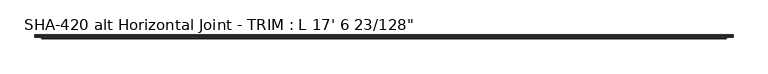
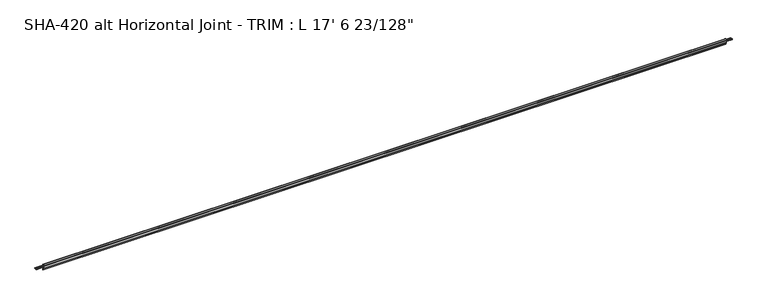
"""IFC4 building model written with IfcOpenShell, lengths in millimetres: proxy geometry."""

from ifc_helpers import new_model, si_unit, frame, origin, place, context, project, spatial, polyline, circle_curve, source, transform, mapped, element, save
from ifc_brep_helpers import plane_surface, cylinder_surface, revolved_surface, advanced_brep


def proxy_6e6985d3(model_context):
    return source(origin(), model_context, "Body", "AdvancedBrep", [
        advanced_brep(
        [(5338.5640625, -6.1976, -14.5150656), (5338.5640625, -10.5664, -14.5150656), (5338.5640625, -10.5664, -16.089866), (5338.5640625, -6.1976, -16.089866), (5338.5640625, -3.048, -16.089866), (5338.5640625, 1.1557, -16.089866), (5338.5640625, 4.3053, -16.089866), (5338.5640625, 8.509, -16.089866), (5338.5640625, 8.509, -14.5150656), (5338.5640625, 4.3053, -14.5150656), (5338.5640625, 1.1557, -14.5150656), (5338.5640625, -3.048, -14.5150656), (0.0, -10.5664, -16.089866), (0.0, -10.5664, -14.5150656), (0.0, -6.1976, -14.5150656), (0.0, -3.048, -14.5150656), (0.0, 1.1557, -14.5150656), (0.0, 4.3053, -14.5150656), (0.0, 8.509, -14.5150656), (0.0, 8.509, -16.089866), (0.0, 4.3053, -16.089866), (0.0, 1.1557, -16.089866), (0.0, -3.048, -16.089866), (0.0, -6.1976, -16.089866), (5287.7640625, -20.0914, -16.0898656), (5287.7640625, -20.0914, -1.1800656), (50.8, -20.0914, -1.1800656), (50.8, -20.0914, -16.0898656), (50.8, -14.673343, -16.0898656), (5287.7640625, -14.673343, -16.0898656), (5287.7640625, -14.698743, -1.1800656), (50.8, -14.698743, -1.1800656), (5287.7640625, -12.8877692, 9.3960213), (50.8, -12.8877692, 9.3960213), (5287.7640625, -10.5664, 9.3299375), (50.8, -10.5664, 9.3299375), (5287.7640625, -10.5664, -2.7548656), (50.8, -10.5664, -2.7548656), (5287.7640625, -17.2466, -2.7548656), (50.8, -17.2466, -2.7548656), (5287.7640625, -18.5166, -4.0248656), (50.8, -18.5166, -4.0248656), (5287.7640625, -18.5166, -14.5150656), (50.8, -18.5166, -14.5150656), (50.8, -10.5664, -14.5150656), (5287.7640625, -10.5664, -14.5150656), (5287.7640625, -10.5664, -16.089866), (50.8, -10.541, -16.089866), (5287.7640625, -10.541, -35.2950182), (50.8, -10.541, -35.2950182), (5287.7640625, -12.8623692, -35.361102), (50.8, -12.8623692, -35.361102), (5287.7640625, -14.673343, -24.7850151), (50.8, -14.673343, -24.7850151)],
        [
            (0, 1),
            (1, 2),
            (2, 3),
            (3, 4, circle_curve(frame((5338.5640625, -4.6228, -16.089866), z_axis=(1.0, 0.0, 0.0), x_axis=(0.0, -1.0, 0.0)), 1.5748)),
            (4, 5),
            (5, 6, circle_curve(frame((5338.5640625, 2.7305, -16.089866), z_axis=(1.0, 0.0, 0.0), x_axis=(0.0, -1.0, 0.0)), 1.5748)),
            (6, 7),
            (7, 8),
            (8, 9),
            (9, 10, circle_curve(frame((5338.5640625, 2.7305, -14.5150656), z_axis=(1.0, 0.0, 0.0), x_axis=(0.0, -1.0, 0.0)), 1.5748)),
            (10, 11),
            (11, 0, circle_curve(frame((5338.5640625, -4.6228, -14.5150656), z_axis=(1.0, 0.0, 0.0), x_axis=(0.0, -1.0, 0.0)), 1.5748)),
            (12, 13),
            (13, 14),
            (14, 15, circle_curve(frame((0.0, -4.6228, -14.5150656), z_axis=(-1.0, 0.0, 0.0), x_axis=(0.0, -1.0, 0.0)), 1.5748)),
            (15, 16),
            (16, 17, circle_curve(frame((0.0, 2.7305, -14.5150656), z_axis=(-1.0, 0.0, 0.0), x_axis=(0.0, -1.0, 0.0)), 1.5748)),
            (17, 18),
            (18, 19),
            (19, 20),
            (20, 21, circle_curve(frame((0.0, 2.7305, -16.089866), z_axis=(-1.0, 0.0, 0.0), x_axis=(0.0, -1.0, 0.0)), 1.5748)),
            (21, 22),
            (22, 23, circle_curve(frame((0.0, -4.6228, -16.089866), z_axis=(-1.0, 0.0, 0.0), x_axis=(0.0, -1.0, 0.0)), 1.5748)),
            (23, 12),
            (24, 25),
            (25, 26),
            (26, 27),
            (27, 24),
            (27, 28),
            (28, 29),
            (29, 24),
            (25, 30),
            (30, 31),
            (31, 26),
            (30, 32),
            (32, 33),
            (33, 31),
            (32, 34, circle_curve(frame((5287.7640625, -11.7590956, 8.2385071), z_axis=(-1.0, 0.0, 0.0), x_axis=(0.0, -1.0, 0.0)), 1.6167075)),
            (34, 35),
            (35, 33, circle_curve(frame((50.8, -11.7590956, 8.2385071), z_axis=(1.0, 0.0, 0.0), x_axis=(0.0, -1.0, 0.0)), 1.6167075)),
            (34, 36),
            (36, 37),
            (37, 35),
            (36, 38),
            (38, 39),
            (39, 37),
            (38, 40, circle_curve(frame((5287.7640625, -17.2466, -4.0248656), z_axis=(1.0, 0.0, 0.0), x_axis=(0.0, -1.0, 0.0)), 1.27)),
            (40, 41),
            (41, 39, circle_curve(frame((50.8, -17.2466, -4.0248656), z_axis=(-1.0, 0.0, 0.0), x_axis=(0.0, -1.0, 0.0)), 1.27)),
            (40, 42),
            (42, 43),
            (43, 41),
            (13, 44),
            (44, 43),
            (42, 45),
            (45, 1),
            (0, 14),
            (11, 15),
            (10, 16),
            (9, 17),
            (8, 18),
            (7, 19),
            (6, 20),
            (5, 21),
            (4, 22),
            (3, 23),
            (2, 46),
            (46, 47),
            (47, 12),
            (46, 48),
            (48, 49),
            (49, 47),
            (48, 50, circle_curve(frame((5287.7640625, -11.7336765, -34.2042605), z_axis=(-1.0, 0.0, 0.0), x_axis=(0.0, -1.0, 0.0)), 1.6162393)),
            (50, 51),
            (51, 49, circle_curve(frame((50.8, -11.7336765, -34.2042605), z_axis=(1.0, 0.0, 0.0), x_axis=(0.0, -1.0, 0.0)), 1.6162393)),
            (50, 52),
            (52, 53),
            (53, 51),
            (28, 53),
            (52, 29),
            (46, 45),
            (47, 44),
        ],
        [
            plane_surface(frame((5338.5640625, -20.0914, -1.1800656), z_axis=(1.0, 0.0, 0.0), x_axis=(0.0, 0.0, 1.0))),
            plane_surface(frame((0.0, -20.0914, -1.1800656), z_axis=(-1.0, 0.0, 0.0), x_axis=(0.0, 0.0, -1.0))),
            plane_surface(frame((5338.5640625, -20.0914, -16.0898656), z_axis=(0.0, -1.0, 0.0), x_axis=(-1.0, 0.0, 0.0))),
            plane_surface(frame((5338.5640625, -14.673343, -16.0898656), z_axis=(0.0, 0.0, -1.0), x_axis=(-1.0, 0.0, 0.0))),
            plane_surface(frame((5338.5640625, -20.0914, -1.1800656), z_axis=(0.0, 0.0, 1.0), x_axis=(-1.0, 0.0, 0.0))),
            plane_surface(frame((5338.5640625, -14.698743, -1.1800656), z_axis=(0.0, -0.9856543593881546, 0.16877643146816007), x_axis=(-1.0, 0.0, 0.0))),
            cylinder_surface(frame((0.0, -11.7590956, 8.2385071), z_axis=(1.0, 0.0, 0.0), x_axis=(0.0, -1.0, 0.0)), 1.6167075),
            plane_surface(frame((5338.5640625, -10.5664, 9.3299375), z_axis=(0.0, 1.0, 0.0), x_axis=(-1.0, 0.0, 0.0))),
            plane_surface(frame((5338.5640625, -10.5664, -2.7548656), z_axis=(0.0, 1.0357842593800644e-11, -1.0), x_axis=(-1.0, 0.0, 0.0))),
            revolved_surface(polyline([(50.8, -18.5166, -4.0248656), (5287.7640625, -18.5166, -4.0248656)]), (0.0, -17.2466, -4.0248656), (-1.0, 0.0, 0.0)),
            plane_surface(frame((5338.5640625, -18.5166, -4.0248656), z_axis=(0.0, 1.0, 0.0), x_axis=(-1.0, 0.0, 0.0))),
            plane_surface(frame((5338.5640625, -18.5166, -14.5150656), z_axis=(0.0, -2.2864871485719276e-11, 1.0), x_axis=(-1.0, 0.0, 0.0))),
            cylinder_surface(frame((0.0, -4.6228, -14.5150656), z_axis=(1.0, 0.0, 0.0), x_axis=(0.0, -1.0, 0.0)), 1.5748),
            plane_surface(frame((5338.5640625, -3.048, -14.5150656), z_axis=(0.0, -6.693487679072828e-11, 1.0), x_axis=(-1.0, 0.0, 0.0))),
            cylinder_surface(frame((0.0, 2.7305, -14.5150656), z_axis=(1.0, 0.0, 0.0), x_axis=(0.0, -1.0, 0.0)), 1.5748),
            plane_surface(frame((5338.5640625, 4.3053, -14.5150656), z_axis=(0.0, 0.0, 1.0), x_axis=(-1.0, 0.0, 0.0))),
            plane_surface(frame((5338.5640625, 8.509, -14.5150656), z_axis=(0.0, 1.0, 0.0), x_axis=(-1.0, 0.0, 0.0))),
            plane_surface(frame((5338.5640625, 8.509, -16.089866), z_axis=(0.0, 0.0, -1.0), x_axis=(-1.0, 0.0, 0.0))),
            cylinder_surface(frame((0.0, 2.7305, -16.089866), z_axis=(1.0, 0.0, 0.0), x_axis=(0.0, -1.0, 0.0)), 1.5748),
            plane_surface(frame((5338.5640625, 1.1557, -16.089866), z_axis=(0.0, 0.0, -1.0), x_axis=(-1.0, 0.0, 0.0))),
            cylinder_surface(frame((0.0, -4.6228, -16.089866), z_axis=(1.0, 0.0, 0.0), x_axis=(0.0, -1.0, 0.0)), 1.5748),
            plane_surface(frame((5338.5640625, -6.1976, -16.089866), z_axis=(0.0, 0.0, -1.0), x_axis=(-1.0, 0.0, 0.0))),
            plane_surface(frame((5338.5640625, -10.541, -16.089866), z_axis=(0.0, 1.0, 0.0), x_axis=(-1.0, 0.0, 0.0))),
            cylinder_surface(frame((0.0, -11.7336765, -34.2042605), z_axis=(1.0, 0.0, 0.0), x_axis=(0.0, -1.0, 0.0)), 1.6162393),
            plane_surface(frame((5338.5640625, -12.8623692, -35.361102), z_axis=(0.0, -0.9856543594196774, -0.16877643128406722), x_axis=(-1.0, 0.0, 0.0))),
            plane_surface(frame((5338.5640625, -14.673343, -24.7850151), z_axis=(0.0, -1.0, 0.0), x_axis=(-1.0, 0.0, 0.0))),
            plane_surface(frame((5287.7640625, -20.0914, 10.7414277), z_axis=(1.0, 0.0, 0.0), x_axis=(0.0, 0.0, -1.0))),
            plane_surface(frame((5287.7640625, -10.5664, 10.7414277), z_axis=(0.0, -1.0, 0.0), x_axis=(0.0, 0.0, -1.0))),
            plane_surface(frame((0.0, -10.5664, 10.7414277), z_axis=(0.0, -1.0, 0.0), x_axis=(0.0, 0.0, -1.0))),
            plane_surface(frame((50.8, -10.5664, 10.7414277), z_axis=(-1.0, 0.0, 0.0), x_axis=(0.0, 0.0, -1.0))),
        ],
        [
            (0, [[1, 2, 3, 4, 5, 6, 7, 8, 9, 10, 11, 12]]),
            (1, [[13, 14, 15, 16, 17, 18, 19, 20, 21, 22, 23, 24]]),
            (2, [[25, 26, 27, 28]]),
            (3, [[29, 30, 31, -28]]),
            (4, [[32, 33, 34, -26]]),
            (5, [[35, 36, 37, -33]]),
            (6, [[38, 39, 40, -36]]),
            (7, [[41, 42, 43, -39]]),
            (8, [[44, 45, 46, -42]]),
            (9, [[47, 48, 49, -45]]),
            (10, [[50, 51, 52, -48]]),
            (11, [[-14, 53, 54, -51, 55, 56, -1, 57]]),
            (12, [[58, -15, -57, -12]]),
            (13, [[59, -16, -58, -11]]),
            (14, [[60, -17, -59, -10]]),
            (15, [[61, -18, -60, -9]]),
            (16, [[62, -19, -61, -8]]),
            (17, [[63, -20, -62, -7]]),
            (18, [[64, -21, -63, -6]]),
            (19, [[65, -22, -64, -5]]),
            (20, [[66, -23, -65, -4]]),
            (21, [[67, 68, 69, -24, -66, -3]]),
            (22, [[70, 71, 72, -68]]),
            (23, [[73, 74, 75, -71]]),
            (24, [[76, 77, 78, -74]]),
            (25, [[79, -77, 80, -30]]),
            (26, [[-55, -50, -47, -44, -41, -38, -35, -32, -25, -31, -80, -76, -73, -70, 81]]),
            (27, [[-67, -2, -56, -81]]),
            (28, [[-53, -13, -69, 82]]),
            (29, [[-72, -75, -78, -79, -29, -27, -34, -37, -40, -43, -46, -49, -52, -54, -82]]),
        ],
    ),
    ])


if __name__ == "__main__":
    model = new_model("IFC4")
    model_context = context("Model", 3, world=origin())
    ifc_project = project(units=[si_unit("LENGTHUNIT", "METRE", prefix="MILLI")], contexts=[model_context])
    site = spatial("IfcSite", under=ifc_project)
    building = spatial("IfcBuilding", under=site)
    placement = place(None, origin())
    proxy_shape = proxy_6e6985d3(model_context)
    element("IfcBuildingElementProxy", 1, Name="SHA-420 alt Horizontal Joint - TRIM : L 17' 6 23/128\"", ObjectType="SHA-420 alt Horizontal Joint - TRIM : L 17' 6 23/128\"", at=placement, inside=building, context=model_context, shape_type="MappedRepresentation", body=[
        mapped(proxy_shape, transform((0.0, 0.0, 0.0), x_axis=(1.0, 0.0, 0.0), y_axis=(0.0, 1.0, 0.0), z_axis=(0.0, 0.0, 1.0))),
    ])
    save(model, "model.ifc")
